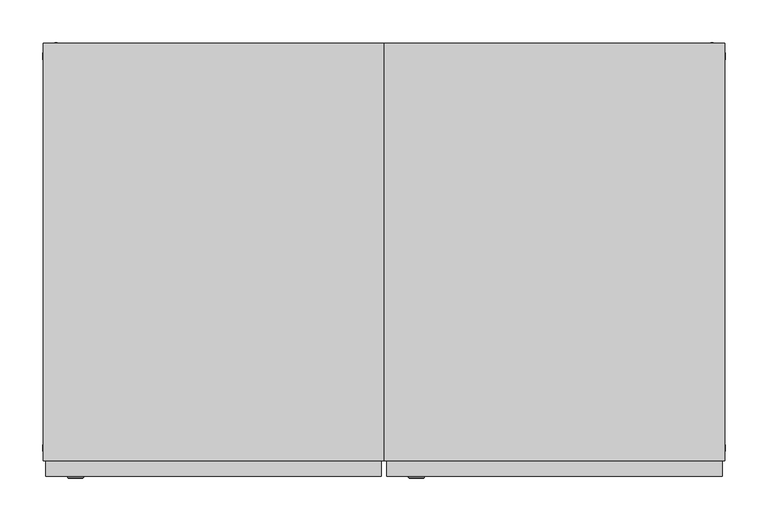
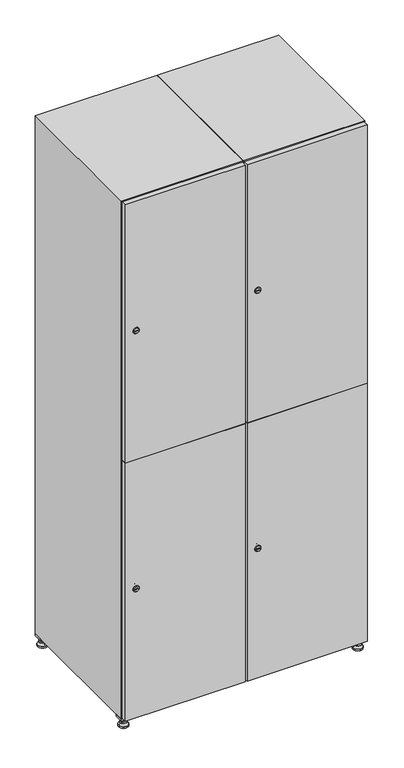
"""IFC4 building model written with IfcOpenShell, lengths in millimetres: furniture geometry."""

from ifc_helpers import new_model, si_unit, point, frame, frame_2d, origin, origin_with_axes, place, context, project, spatial, polyline, circle_curve, trimmed, segment, composite_curve, outline, extrude, faceted_brep, source, transform, mapped, element, save
from ifc_brep_helpers import plane_surface, revolved_surface, advanced_brep


def furniture_261f6d93(model_context):
    return source(origin(), model_context, "Body", "SolidModel", [
        extrude(outline(polyline([(600.0, 245.0), (600.0, 215.0), (570.0, 215.0), (570.0, 245.0), (600.0, 245.0)]), holes=[polyline([(598.0, 243.0), (572.0, 243.0), (572.0, 217.0), (598.0, 217.0), (598.0, 243.0)])]), frame((0.0, 0.0, 28.5), z_axis=(0.0, 0.0, 1.0), x_axis=(1.0, 0.0, 0.0)), (0.0, 0.0, 1.0), 6.5),
        extrude(outline(polyline([(570.0, -245.0), (570.0, -215.0), (600.0, -215.0), (600.0, -245.0), (570.0, -245.0)]), holes=[polyline([(572.0, -243.0), (598.0, -243.0), (598.0, -217.0), (572.0, -217.0), (572.0, -243.0)])]), frame((0.0, 0.0, 28.5), z_axis=(0.0, 0.0, 1.0), x_axis=(1.0, 0.0, 0.0)), (0.0, 0.0, 1.0), 6.5),
        extrude(outline(polyline([(-170.0, 245.0), (-170.0, 215.0), (-200.0, 215.0), (-200.0, 245.0), (-170.0, 245.0)]), holes=[polyline([(-172.0, 243.0), (-198.0, 243.0), (-198.0, 217.0), (-172.0, 217.0), (-172.0, 243.0)])]), frame((0.0, 0.0, 28.5), z_axis=(0.0, 0.0, 1.0), x_axis=(1.0, 0.0, 0.0)), (0.0, 0.0, 1.0), 6.5),
        extrude(outline(polyline([(-170.0, -215.0), (-170.0, -245.0), (-200.0, -245.0), (-200.0, -215.0), (-170.0, -215.0)]), holes=[polyline([(-198.0, -243.0), (-172.0, -243.0), (-172.0, -217.0), (-198.0, -217.0), (-198.0, -243.0)])]), frame((0.0, 0.0, 28.5), z_axis=(0.0, 0.0, 1.0), x_axis=(1.0, 0.0, 0.0)), (0.0, 0.0, 1.0), 6.5),
        extrude(outline(composite_curve([segment(trimmed(circle_curve(frame_2d((-185.0, 230.0)), 5.0), [point((-180.0, 230.0))], [point((-190.0, 230.0))], False, "CARTESIAN"), True, "CONTINUOUS"), segment(trimmed(circle_curve(frame_2d((-185.0, 230.0)), 5.0), [point((-190.0, 230.0))], [point((-180.0, 230.0))], False, "CARTESIAN"), True, "CONTINUOUS")], self_intersect=False)), frame((0.0, 0.0, 19.6), z_axis=(0.0, 0.0, 1.0), x_axis=(1.0, 0.0, 0.0)), (0.0, 0.0, 1.0), 15.4),
        extrude(outline(composite_curve([segment(trimmed(circle_curve(frame_2d((-185.0, -230.0)), 5.0), [point((-180.0, -230.0))], [point((-190.0, -230.0))], False, "CARTESIAN"), True, "CONTINUOUS"), segment(trimmed(circle_curve(frame_2d((-185.0, -230.0)), 5.0), [point((-190.0, -230.0))], [point((-180.0, -230.0))], False, "CARTESIAN"), True, "CONTINUOUS")], self_intersect=False)), frame((0.0, 0.0, 19.6), z_axis=(0.0, 0.0, 1.0), x_axis=(1.0, 0.0, 0.0)), (0.0, 0.0, 1.0), 15.4),
        extrude(outline(composite_curve([segment(trimmed(circle_curve(frame_2d((585.0, 230.0)), 5.0), [point((590.0, 230.0))], [point((580.0, 230.0))], False, "CARTESIAN"), True, "CONTINUOUS"), segment(trimmed(circle_curve(frame_2d((585.0, 230.0)), 5.0), [point((580.0, 230.0))], [point((590.0, 230.0))], False, "CARTESIAN"), True, "CONTINUOUS")], self_intersect=False)), frame((0.0, 0.0, 19.6), z_axis=(0.0, 0.0, 1.0), x_axis=(1.0, 0.0, 0.0)), (0.0, 0.0, 1.0), 15.4),
        extrude(outline(polyline([(573.4529946, 230.0), (579.2264973, 240.0), (590.7735027, 240.0), (596.5470054, 230.0), (590.7735027, 220.0), (579.2264973, 220.0), (573.4529946, 230.0)])), frame((0.0, 0.0, 13.6), z_axis=(0.0, 0.0, 1.0), x_axis=(1.0, 0.0, 0.0)), (0.0, 0.0, 1.0), 6.0),
        extrude(outline(composite_curve([segment(trimmed(circle_curve(frame_2d((585.0, -230.0)), 5.0), [point((590.0, -230.0))], [point((580.0, -230.0))], False, "CARTESIAN"), True, "CONTINUOUS"), segment(trimmed(circle_curve(frame_2d((585.0, -230.0)), 5.0), [point((580.0, -230.0))], [point((590.0, -230.0))], False, "CARTESIAN"), True, "CONTINUOUS")], self_intersect=False)), frame((0.0, 0.0, 19.6), z_axis=(0.0, 0.0, 1.0), x_axis=(1.0, 0.0, 0.0)), (0.0, 0.0, 1.0), 15.4),
        extrude(outline(polyline([(573.4529946, -230.0), (579.2264973, -220.0), (590.7735027, -220.0), (596.5470054, -230.0), (590.7735027, -240.0), (579.2264973, -240.0), (573.4529946, -230.0)])), frame((0.0, 0.0, 13.6), z_axis=(0.0, 0.0, 1.0), x_axis=(1.0, 0.0, 0.0)), (0.0, 0.0, 1.0), 6.0),
        extrude(outline(composite_curve([segment(trimmed(circle_curve(frame_2d((585.0, 230.0)), 5.0), [point((590.0, 230.0))], [point((580.0, 230.0))], False, "CARTESIAN"), True, "CONTINUOUS"), segment(trimmed(circle_curve(frame_2d((585.0, 230.0)), 5.0), [point((580.0, 230.0))], [point((590.0, 230.0))], False, "CARTESIAN"), True, "CONTINUOUS")], self_intersect=False)), frame((0.0, 0.0, 12.1), z_axis=(0.0, 0.0, 1.0), x_axis=(1.0, 0.0, 0.0)), (0.0, 0.0, 1.0), 1.5),
        extrude(outline(composite_curve([segment(trimmed(circle_curve(frame_2d((585.0, -230.0)), 5.0), [point((590.0, -230.0))], [point((580.0, -230.0))], False, "CARTESIAN"), True, "CONTINUOUS"), segment(trimmed(circle_curve(frame_2d((585.0, -230.0)), 5.0), [point((580.0, -230.0))], [point((590.0, -230.0))], False, "CARTESIAN"), True, "CONTINUOUS")], self_intersect=False)), frame((0.0, 0.0, 12.1), z_axis=(0.0, 0.0, 1.0), x_axis=(1.0, 0.0, 0.0)), (0.0, 0.0, 1.0), 1.5),
        extrude(outline(polyline([(-196.5470054, 230.0), (-190.7735027, 240.0), (-179.2264973, 240.0), (-173.4529946, 230.0), (-179.2264973, 220.0), (-190.7735027, 220.0), (-196.5470054, 230.0)])), frame((0.0, 0.0, 13.6), z_axis=(0.0, 0.0, 1.0), x_axis=(1.0, 0.0, 0.0)), (0.0, 0.0, 1.0), 6.0),
        extrude(outline(polyline([(-196.5470054, -230.0), (-190.7735027, -220.0), (-179.2264973, -220.0), (-173.4529946, -230.0), (-179.2264973, -240.0), (-190.7735027, -240.0), (-196.5470054, -230.0)])), frame((0.0, 0.0, 13.6), z_axis=(0.0, 0.0, 1.0), x_axis=(1.0, 0.0, 0.0)), (0.0, 0.0, 1.0), 6.0),
        extrude(outline(composite_curve([segment(trimmed(circle_curve(frame_2d((-185.0, 230.0)), 5.0), [point((-185.0, 235.0))], [point((-185.0, 225.0))], False, "CARTESIAN"), True, "CONTINUOUS"), segment(trimmed(circle_curve(frame_2d((-185.0, 230.0)), 5.0), [point((-185.0, 225.0))], [point((-185.0, 235.0))], False, "CARTESIAN"), True, "CONTINUOUS")], self_intersect=False)), frame((0.0, 0.0, 12.1), z_axis=(0.0, 0.0, 1.0), x_axis=(1.0, 0.0, 0.0)), (0.0, 0.0, 1.0), 1.5),
        extrude(outline(composite_curve([segment(trimmed(circle_curve(frame_2d((-185.0, -230.0)), 5.0), [point((-180.0, -230.0))], [point((-190.0, -230.0))], False, "CARTESIAN"), True, "CONTINUOUS"), segment(trimmed(circle_curve(frame_2d((-185.0, -230.0)), 5.0), [point((-190.0, -230.0))], [point((-180.0, -230.0))], False, "CARTESIAN"), True, "CONTINUOUS")], self_intersect=False)), frame((0.0, 0.0, 12.1), z_axis=(0.0, 0.0, 1.0), x_axis=(1.0, 0.0, 0.0)), (0.0, 0.0, 1.0), 1.5),
        extrude(outline(composite_curve([segment(trimmed(circle_curve(frame_2d((585.0, 230.0)), 15.75), [point((600.75, 230.0))], [point((569.25, 230.0))], False, "CARTESIAN"), True, "CONTINUOUS"), segment(trimmed(circle_curve(frame_2d((585.0, 230.0)), 15.75), [point((569.25, 230.0))], [point((600.75, 230.0))], False, "CARTESIAN"), True, "CONTINUOUS")], self_intersect=False)), origin_with_axes(), (0.0, 0.0, 1.0), 5.1),
        extrude(outline(composite_curve([segment(trimmed(circle_curve(frame_2d((585.0, -230.0)), 15.75), [point((585.0, -214.25))], [point((585.0, -245.75))], False, "CARTESIAN"), True, "CONTINUOUS"), segment(trimmed(circle_curve(frame_2d((585.0, -230.0)), 15.75), [point((585.0, -245.75))], [point((585.0, -214.25))], False, "CARTESIAN"), True, "CONTINUOUS")], self_intersect=False)), origin_with_axes(), (0.0, 0.0, 1.0), 5.1),
        extrude(outline(composite_curve([segment(trimmed(circle_curve(frame_2d((-185.0, -230.0)), 15.75), [point((-169.25, -230.0))], [point((-200.75, -230.0))], False, "CARTESIAN"), True, "CONTINUOUS"), segment(trimmed(circle_curve(frame_2d((-185.0, -230.0)), 15.75), [point((-200.75, -230.0))], [point((-169.25, -230.0))], False, "CARTESIAN"), True, "CONTINUOUS")], self_intersect=False)), origin_with_axes(), (0.0, 0.0, 1.0), 5.1),
        extrude(outline(composite_curve([segment(trimmed(circle_curve(frame_2d((-185.0, 230.0)), 15.75), [point((-169.25, 230.0))], [point((-200.75, 230.0))], False, "CARTESIAN"), True, "CONTINUOUS"), segment(trimmed(circle_curve(frame_2d((-185.0, 230.0)), 15.75), [point((-200.75, 230.0))], [point((-169.25, 230.0))], False, "CARTESIAN"), True, "CONTINUOUS")], self_intersect=False)), origin_with_axes(), (0.0, 0.0, 1.0), 5.1),
        advanced_brep(
        [(-185.0, 239.5, 12.1), (-185.0, 220.5, 12.1), (-185.0, 214.25, 5.1), (-185.0, 245.75, 5.1)],
        [
            (0, 1, circle_curve(frame((-185.0, 230.0, 12.1), z_axis=(0.0, 0.0, -1.0), x_axis=(0.0, 1.0, 0.0)), 9.5)),
            (1, 2),
            (2, 3, circle_curve(frame((-185.0, 230.0, 5.1), z_axis=(0.0, 0.0, 1.0), x_axis=(0.0, 1.0, 0.0)), 15.75)),
            (3, 0),
            (1, 0, circle_curve(frame((-185.0, 230.0, 12.1), z_axis=(0.0, 0.0, -1.0), x_axis=(0.0, -1.0, 0.0)), 9.5)),
            (3, 2, circle_curve(frame((-185.0, 230.0, 5.1), z_axis=(0.0, 0.0, 1.0), x_axis=(0.0, -1.0, 0.0)), 15.75)),
        ],
        [
            revolved_surface(polyline([(-185.0, 220.5, 12.099999999999998), (-185.0, 214.25, 5.099999999999998)]), (-185.0, 230.0, 22.74), (0.0, 0.0, -1.0)),
            revolved_surface(polyline([(-185.0, 239.5, 12.099999999999998), (-185.0, 245.75, 5.099999999999998)]), (-185.0, 230.0, 22.74), (0.0, 0.0, -1.0)),
            plane_surface(frame((-185.0, 230.0, 5.1), z_axis=(0.0, 0.0, -1.0), x_axis=(1.0, 0.0, 0.0))),
            plane_surface(frame((-185.0, 230.0, 12.1), z_axis=(0.0, 0.0, 1.0), x_axis=(1.0, 0.0, 0.0))),
        ],
        [
            (0, [[1, 2, 3, 4]]),
            (1, [[5, -4, 6, -2]]),
            (2, [[-3, -6]]),
            (3, [[-5, -1]]),
        ],
    ),
        advanced_brep(
        [(585.0, 239.5, 12.1), (585.0, 220.5, 12.1), (585.0, 214.25, 5.1), (585.0, 245.75, 5.1)],
        [
            (0, 1, circle_curve(frame((585.0, 230.0, 12.1), z_axis=(0.0, 0.0, -1.0), x_axis=(0.0, 1.0, 0.0)), 9.5)),
            (1, 2),
            (2, 3, circle_curve(frame((585.0, 230.0, 5.1), z_axis=(0.0, 0.0, 1.0), x_axis=(0.0, 1.0, 0.0)), 15.75)),
            (3, 0),
            (1, 0, circle_curve(frame((585.0, 230.0, 12.1), z_axis=(0.0, 0.0, -1.0), x_axis=(0.0, -1.0, 0.0)), 9.5)),
            (3, 2, circle_curve(frame((585.0, 230.0, 5.1), z_axis=(0.0, 0.0, 1.0), x_axis=(0.0, -1.0, 0.0)), 15.75)),
        ],
        [
            revolved_surface(polyline([(585.0, 220.5, 12.099999999999998), (585.0, 214.25, 5.099999999999998)]), (585.0, 230.0, 22.74), (0.0, 0.0, -1.0)),
            revolved_surface(polyline([(585.0, 239.5, 12.099999999999998), (585.0, 245.75, 5.099999999999998)]), (585.0, 230.0, 22.74), (0.0, 0.0, -1.0)),
            plane_surface(frame((585.0, 230.0, 5.1), z_axis=(0.0, 0.0, -1.0), x_axis=(1.0, 0.0, 0.0))),
            plane_surface(frame((585.0, 230.0, 12.1), z_axis=(0.0, 0.0, 1.0), x_axis=(1.0, 0.0, 0.0))),
        ],
        [
            (0, [[1, 2, 3, 4]]),
            (1, [[5, -4, 6, -2]]),
            (2, [[-3, -6]]),
            (3, [[-5, -1]]),
        ],
    ),
        advanced_brep(
        [(600.75, -230.0, 5.1), (569.25, -230.0, 5.1), (575.5, -230.0, 12.1), (594.5, -230.0, 12.1)],
        [
            (0, 1, circle_curve(frame((585.0, -230.0, 5.1), z_axis=(0.0, 0.0, 1.0), x_axis=(1.0, 0.0, 0.0)), 15.75)),
            (1, 2),
            (2, 3, circle_curve(frame((585.0, -230.0, 12.1), z_axis=(0.0, 0.0, -1.0), x_axis=(1.0, 0.0, 0.0)), 9.5)),
            (3, 0),
            (1, 0, circle_curve(frame((585.0, -230.0, 5.1), z_axis=(0.0, 0.0, 1.0), x_axis=(-1.0, 0.0, 0.0)), 15.75)),
            (3, 2, circle_curve(frame((585.0, -230.0, 12.1), z_axis=(0.0, 0.0, -1.0), x_axis=(-1.0, 0.0, 0.0)), 9.5)),
        ],
        [
            revolved_surface(polyline([(594.5, -230.0, 12.099999999999998), (600.75, -230.0, 5.099999999999998)]), (585.0, -230.0, 22.74), (0.0, 0.0, -1.0)),
            revolved_surface(polyline([(575.5, -230.0, 12.099999999999998), (569.25, -230.0, 5.099999999999998)]), (585.0, -230.0, 22.74), (0.0, 0.0, -1.0)),
            plane_surface(frame((585.0, -230.0, 12.1), z_axis=(0.0, 0.0, 1.0), x_axis=(0.0, 1.0, 0.0))),
            plane_surface(frame((585.0, -230.0, 5.1), z_axis=(0.0, 0.0, -1.0), x_axis=(0.0, 1.0, 0.0))),
        ],
        [
            (0, [[1, 2, 3, 4]]),
            (1, [[5, -4, 6, -2]]),
            (2, [[-3, -6]]),
            (3, [[-5, -1]]),
        ],
    ),
        advanced_brep(
        [(-169.25, -230.0, 5.1), (-200.75, -230.0, 5.1), (-194.5, -230.0, 12.1), (-175.5, -230.0, 12.1)],
        [
            (0, 1, circle_curve(frame((-185.0, -230.0, 5.1), z_axis=(0.0, 0.0, 1.0), x_axis=(1.0, 0.0, 0.0)), 15.75)),
            (1, 2),
            (2, 3, circle_curve(frame((-185.0, -230.0, 12.1), z_axis=(0.0, 0.0, -1.0), x_axis=(1.0, 0.0, 0.0)), 9.5)),
            (3, 0),
            (1, 0, circle_curve(frame((-185.0, -230.0, 5.1), z_axis=(0.0, 0.0, 1.0), x_axis=(-1.0, 0.0, 0.0)), 15.75)),
            (3, 2, circle_curve(frame((-185.0, -230.0, 12.1), z_axis=(0.0, 0.0, -1.0), x_axis=(-1.0, 0.0, 0.0)), 9.5)),
        ],
        [
            revolved_surface(polyline([(-175.5, -230.0, 12.099999999999998), (-169.25, -230.0, 5.099999999999998)]), (-185.0, -230.0, 22.74), (0.0, 0.0, -1.0)),
            revolved_surface(polyline([(-194.5, -230.0, 12.099999999999998), (-200.75, -230.0, 5.099999999999998)]), (-185.0, -230.0, 22.74), (0.0, 0.0, -1.0)),
            plane_surface(frame((-185.0, -230.0, 12.1), z_axis=(0.0, 0.0, 1.0), x_axis=(0.0, 1.0, 0.0))),
            plane_surface(frame((-185.0, -230.0, 5.1), z_axis=(0.0, 0.0, -1.0), x_axis=(0.0, 1.0, 0.0))),
        ],
        [
            (0, [[1, 2, 3, 4]]),
            (1, [[5, -4, 6, -2]]),
            (2, [[-3, -6]]),
            (3, [[-5, -1]]),
        ],
    ),
        extrude(outline(composite_curve([segment(trimmed(circle_curve(frame_2d((486.5, 211.2010534)), 7.0), [point((493.5, 211.2010534))], [point((479.5, 211.2010534))], False, "CARTESIAN"), True, "CONTINUOUS"), segment(polyline([(479.5, 211.2010534), (479.5, 239.2010534)]), True, "CONTINUOUS"), segment(trimmed(circle_curve(frame_2d((486.5, 239.2010534)), 7.0), [point((479.5, 239.2010534))], [point((493.5, 239.2010534))], False, "CARTESIAN"), True, "CONTINUOUS"), segment(polyline([(493.5, 239.2010534), (493.5, 211.2010534)]), True, "CONTINUOUS")], self_intersect=False)), frame((0.0, -245.0, 0.0), z_axis=(0.0, 1.0, 0.0), x_axis=(0.0, 0.0, 1.0)), (0.0, 0.0, 1.0), 2.0),
        advanced_brep(
        [(246.5, -265.2, 486.5), (229.5, -265.2, 486.5), (233.0, -265.2, 485.25), (233.0, -265.2, 487.75), (243.0, -265.2, 487.75), (243.0, -265.2, 485.25), (248.5, -263.0, 486.5), (227.5, -263.0, 486.5), (233.0, -263.0, 487.75), (233.0, -263.0, 485.25), (243.0, -263.0, 485.25), (243.0, -263.0, 487.75)],
        [
            (0, 1, circle_curve(frame((238.0, -265.2, 486.5), z_axis=(0.0, -1.0, 0.0), x_axis=(1.0, 0.0, 0.0)), 8.5)),
            (1, 0, circle_curve(frame((238.0, -265.2, 486.5), z_axis=(0.0, -1.0, 0.0), x_axis=(-1.0, 0.0, 0.0)), 8.5)),
            (2, 3),
            (3, 4),
            (4, 5),
            (5, 2),
            (6, 7, circle_curve(frame((238.0, -263.0, 486.5), z_axis=(0.0, 1.0, 0.0), x_axis=(-1.0, 0.0, 0.0)), 10.5)),
            (7, 6, circle_curve(frame((238.0, -263.0, 486.5), z_axis=(0.0, 1.0, 0.0), x_axis=(1.0, 0.0, 0.0)), 10.5)),
            (8, 9),
            (9, 10),
            (10, 11),
            (11, 8),
            (0, 6),
            (7, 1),
            (8, 3),
            (2, 9),
            (11, 4),
            (10, 5),
        ],
        [
            plane_surface(frame((238.0, -265.2, 486.5), z_axis=(0.0, -1.0, 0.0), x_axis=(0.0, 0.0, 1.0))),
            plane_surface(frame((238.0, -263.0, 486.5), z_axis=(0.0, 1.0, 0.0), x_axis=(0.0, 0.0, 1.0))),
            revolved_surface(polyline([(246.5, -265.2, 486.5), (248.5, -263.0, 486.5)]), (238.0, -274.55, 486.5), (0.0, 1.0, 0.0)),
            revolved_surface(polyline([(229.5, -265.2, 486.5), (227.5, -263.0, 486.5)]), (238.0, -274.55, 486.5), (0.0, 1.0, 0.0)),
            plane_surface(frame((233.0, -263.0, 485.25), z_axis=(1.0, 0.0, 0.0), x_axis=(0.0, -1.0, 0.0))),
            plane_surface(frame((233.0, -263.0, 487.75), z_axis=(0.0, 0.0, -1.0), x_axis=(0.0, -1.0, 0.0))),
            plane_surface(frame((243.0, -263.0, 487.75), z_axis=(-1.0, 0.0, 0.0), x_axis=(0.0, -1.0, 0.0))),
            plane_surface(frame((243.0, -263.0, 485.25), z_axis=(0.0, 0.0, 1.0), x_axis=(0.0, -1.0, 0.0))),
        ],
        [
            (0, [[1, 2], [3, 4, 5, 6]]),
            (1, [[7, 8], [9, 10, 11, 12]]),
            (2, [[-1, 13, -8, 14]]),
            (3, [[-2, -14, -7, -13]]),
            (4, [[15, -3, 16, -9]]),
            (5, [[-15, -12, 17, -4]]),
            (6, [[-17, -11, 18, -5]]),
            (7, [[-16, -6, -18, -10]]),
        ],
    ),
        extrude(outline(composite_curve([segment(trimmed(circle_curve(frame_2d((1383.5, 211.2010534)), 7.0), [point((1390.5, 211.2010534))], [point((1376.5, 211.2010534))], False, "CARTESIAN"), True, "CONTINUOUS"), segment(polyline([(1376.5, 211.2010534), (1376.5, 239.2010534)]), True, "CONTINUOUS"), segment(trimmed(circle_curve(frame_2d((1383.5, 239.2010534)), 7.0), [point((1376.5, 239.2010534))], [point((1390.5, 239.2010534))], False, "CARTESIAN"), True, "CONTINUOUS"), segment(polyline([(1390.5, 239.2010534), (1390.5, 211.2010534)]), True, "CONTINUOUS")], self_intersect=False)), frame((0.0, -245.0, 0.0), z_axis=(0.0, 1.0, 0.0), x_axis=(0.0, 0.0, 1.0)), (0.0, 0.0, 1.0), 2.0),
        advanced_brep(
        [(246.5, -265.2, 1383.5), (229.5, -265.2, 1383.5), (233.0, -265.2, 1382.25), (233.0, -265.2, 1384.75), (243.0, -265.2, 1384.75), (243.0, -265.2, 1382.25), (248.5, -263.0, 1383.5), (227.5, -263.0, 1383.5), (233.0, -263.0, 1384.75), (233.0, -263.0, 1382.25), (243.0, -263.0, 1382.25), (243.0, -263.0, 1384.75)],
        [
            (0, 1, circle_curve(frame((238.0, -265.2, 1383.5), z_axis=(0.0, -1.0, 0.0), x_axis=(1.0, 0.0, 0.0)), 8.5)),
            (1, 0, circle_curve(frame((238.0, -265.2, 1383.5), z_axis=(0.0, -1.0, 0.0), x_axis=(-1.0, 0.0, 0.0)), 8.5)),
            (2, 3),
            (3, 4),
            (4, 5),
            (5, 2),
            (6, 7, circle_curve(frame((238.0, -263.0, 1383.5), z_axis=(0.0, 1.0, 0.0), x_axis=(-1.0, 0.0, 0.0)), 10.5)),
            (7, 6, circle_curve(frame((238.0, -263.0, 1383.5), z_axis=(0.0, 1.0, 0.0), x_axis=(1.0, 0.0, 0.0)), 10.5)),
            (8, 9),
            (9, 10),
            (10, 11),
            (11, 8),
            (0, 6),
            (7, 1),
            (8, 3),
            (2, 9),
            (11, 4),
            (10, 5),
        ],
        [
            plane_surface(frame((238.0, -265.2, 1383.5), z_axis=(0.0, -1.0, 0.0), x_axis=(0.0, 0.0, 1.0))),
            plane_surface(frame((238.0, -263.0, 1383.5), z_axis=(0.0, 1.0, 0.0), x_axis=(0.0, 0.0, 1.0))),
            revolved_surface(polyline([(246.5, -265.2, 1383.5), (248.5, -263.0, 1383.5)]), (238.0, -274.55, 1383.5), (0.0, 1.0, 0.0)),
            revolved_surface(polyline([(229.5, -265.2, 1383.5), (227.5, -263.0, 1383.5)]), (238.0, -274.55, 1383.5), (0.0, 1.0, 0.0)),
            plane_surface(frame((233.0, -263.0, 1382.25), z_axis=(1.0, 0.0, 0.0), x_axis=(0.0, -1.0, 0.0))),
            plane_surface(frame((233.0, -263.0, 1384.75), z_axis=(0.0, 0.0, -1.0), x_axis=(0.0, -1.0, 0.0))),
            plane_surface(frame((243.0, -263.0, 1384.75), z_axis=(-1.0, 0.0, 0.0), x_axis=(0.0, -1.0, 0.0))),
            plane_surface(frame((243.0, -263.0, 1382.25), z_axis=(0.0, 0.0, 1.0), x_axis=(0.0, -1.0, 0.0))),
        ],
        [
            (0, [[1, 2], [3, 4, 5, 6]]),
            (1, [[7, 8], [9, 10, 11, 12]]),
            (2, [[-1, 13, -8, 14]]),
            (3, [[-2, -14, -7, -13]]),
            (4, [[15, -3, 16, -9]]),
            (5, [[-15, -12, 17, -4]]),
            (6, [[-17, -11, 18, -5]]),
            (7, [[-16, -6, -18, -10]]),
        ],
    ),
        extrude(outline(polyline([(203.0, -263.0), (203.0, -245.0), (597.0, -245.0), (597.0, -263.0), (203.0, -263.0)])), frame((0.0, 0.0, 38.0), z_axis=(0.0, 0.0, 1.0), x_axis=(1.0, 0.0, 0.0)), (0.0, 0.0, 1.0), 896.5),
        extrude(outline(polyline([(597.0, -245.0), (597.0, -263.0), (203.0, -263.0), (203.0, -245.0), (597.0, -245.0)])), frame((0.0, 0.0, 935.5), z_axis=(0.0, 0.0, 1.0), x_axis=(1.0, 0.0, 0.0)), (0.0, 0.0, 1.0), 896.5),
        extrude(outline(polyline([(579.6, 242.0), (579.6, -227.0), (220.4, -227.0), (220.4, 242.0), (579.6, 242.0)])), frame((0.0, 0.0, 924.8), z_axis=(0.0, 0.0, 1.0), x_axis=(1.0, 0.0, 0.0)), (0.0, 0.0, 1.0), 20.4),
        faceted_brep([(600.0, -245.0, 35.0), (600.0, -245.0, 1835.0), (200.0, -245.0, 1835.0), (200.0, -245.0, 35.0), (579.6, -245.0, 1804.8), (579.6, -245.0, 65.2), (220.4, -245.0, 65.2), (220.4, -245.0, 1804.8), (600.0, 245.0, 35.0), (200.0, 245.0, 35.0), (600.0, 245.0, 1835.0), (200.0, 245.0, 1835.0), (579.6, 242.0, 1804.8), (579.6, 242.0, 65.2), (200.0, 245.0, 1804.8), (220.4, 242.0, 1804.8), (220.4, 242.0, 65.2)], [[[0, 1, 2, 3], [4, 5, 6, 7]], [[8, 0, 3, 9]], [[1, 0, 8, 10]], [[1, 10, 11, 2]], [[4, 12, 13, 5]], [[9, 3, 2, 11, 14]], [[10, 8, 9, 14, 11]], [[12, 15, 16, 13]], [[15, 7, 6, 16]], [[4, 7, 15, 12]], [[6, 5, 13, 16]]]),
        extrude(outline(composite_curve([segment(trimmed(circle_curve(frame_2d((486.5, -188.7989466)), 7.0), [point((493.5, -188.7989466))], [point((479.5, -188.7989466))], False, "CARTESIAN"), True, "CONTINUOUS"), segment(polyline([(479.5, -188.7989466), (479.5, -160.7989466)]), True, "CONTINUOUS"), segment(trimmed(circle_curve(frame_2d((486.5, -160.7989466)), 7.0), [point((479.5, -160.7989466))], [point((493.5, -160.7989466))], False, "CARTESIAN"), True, "CONTINUOUS"), segment(polyline([(493.5, -160.7989466), (493.5, -188.7989466)]), True, "CONTINUOUS")], self_intersect=False)), frame((0.0, -245.0, 0.0), z_axis=(0.0, 1.0, 0.0), x_axis=(0.0, 0.0, 1.0)), (0.0, 0.0, 1.0), 2.0),
        advanced_brep(
        [(-153.5, -265.2, 486.5), (-170.5, -265.2, 486.5), (-167.0, -265.2, 485.25), (-167.0, -265.2, 487.75), (-157.0, -265.2, 487.75), (-157.0, -265.2, 485.25), (-151.5, -263.0, 486.5), (-172.5, -263.0, 486.5), (-167.0, -263.0, 487.75), (-167.0, -263.0, 485.25), (-157.0, -263.0, 485.25), (-157.0, -263.0, 487.75)],
        [
            (0, 1, circle_curve(frame((-162.0, -265.2, 486.5), z_axis=(0.0, -1.0, 0.0), x_axis=(1.0, 0.0, 0.0)), 8.5)),
            (1, 0, circle_curve(frame((-162.0, -265.2, 486.5), z_axis=(0.0, -1.0, 0.0), x_axis=(-1.0, 0.0, 0.0)), 8.5)),
            (2, 3),
            (3, 4),
            (4, 5),
            (5, 2),
            (6, 7, circle_curve(frame((-162.0, -263.0, 486.5), z_axis=(0.0, 1.0, 0.0), x_axis=(-1.0, 0.0, 0.0)), 10.5)),
            (7, 6, circle_curve(frame((-162.0, -263.0, 486.5), z_axis=(0.0, 1.0, 0.0), x_axis=(1.0, 0.0, 0.0)), 10.5)),
            (8, 9),
            (9, 10),
            (10, 11),
            (11, 8),
            (0, 6),
            (7, 1),
            (8, 3),
            (2, 9),
            (11, 4),
            (10, 5),
        ],
        [
            plane_surface(frame((-162.0, -265.2, 486.5), z_axis=(0.0, -1.0, 0.0), x_axis=(0.0, 0.0, 1.0))),
            plane_surface(frame((-162.0, -263.0, 486.5), z_axis=(0.0, 1.0, 0.0), x_axis=(0.0, 0.0, 1.0))),
            revolved_surface(polyline([(-153.5, -265.2, 486.5), (-151.5, -263.0, 486.5)]), (-162.0, -274.55, 486.5), (0.0, 1.0, 0.0)),
            revolved_surface(polyline([(-170.5, -265.2, 486.5), (-172.5, -263.0, 486.5)]), (-162.0, -274.55, 486.5), (0.0, 1.0, 0.0)),
            plane_surface(frame((-167.0, -263.0, 485.25), z_axis=(1.0, 0.0, 0.0), x_axis=(0.0, -1.0, 0.0))),
            plane_surface(frame((-167.0, -263.0, 487.75), z_axis=(0.0, 0.0, -1.0), x_axis=(0.0, -1.0, 0.0))),
            plane_surface(frame((-157.0, -263.0, 487.75), z_axis=(-1.0, 0.0, 0.0), x_axis=(0.0, -1.0, 0.0))),
            plane_surface(frame((-157.0, -263.0, 485.25), z_axis=(0.0, 0.0, 1.0), x_axis=(0.0, -1.0, 0.0))),
        ],
        [
            (0, [[1, 2], [3, 4, 5, 6]]),
            (1, [[7, 8], [9, 10, 11, 12]]),
            (2, [[-1, 13, -8, 14]]),
            (3, [[-2, -14, -7, -13]]),
            (4, [[15, -3, 16, -9]]),
            (5, [[-15, -12, 17, -4]]),
            (6, [[-17, -11, 18, -5]]),
            (7, [[-16, -6, -18, -10]]),
        ],
    ),
        extrude(outline(composite_curve([segment(trimmed(circle_curve(frame_2d((1383.5, -188.7989466)), 7.0), [point((1390.5, -188.7989466))], [point((1376.5, -188.7989466))], False, "CARTESIAN"), True, "CONTINUOUS"), segment(polyline([(1376.5, -188.7989466), (1376.5, -160.7989466)]), True, "CONTINUOUS"), segment(trimmed(circle_curve(frame_2d((1383.5, -160.7989466)), 7.0), [point((1376.5, -160.7989466))], [point((1390.5, -160.7989466))], False, "CARTESIAN"), True, "CONTINUOUS"), segment(polyline([(1390.5, -160.7989466), (1390.5, -188.7989466)]), True, "CONTINUOUS")], self_intersect=False)), frame((0.0, -245.0, 0.0), z_axis=(0.0, 1.0, 0.0), x_axis=(0.0, 0.0, 1.0)), (0.0, 0.0, 1.0), 2.0),
        advanced_brep(
        [(-153.5, -265.2, 1383.5), (-170.5, -265.2, 1383.5), (-167.0, -265.2, 1382.25), (-167.0, -265.2, 1384.75), (-157.0, -265.2, 1384.75), (-157.0, -265.2, 1382.25), (-151.5, -263.0, 1383.5), (-172.5, -263.0, 1383.5), (-167.0, -263.0, 1384.75), (-167.0, -263.0, 1382.25), (-157.0, -263.0, 1382.25), (-157.0, -263.0, 1384.75)],
        [
            (0, 1, circle_curve(frame((-162.0, -265.2, 1383.5), z_axis=(0.0, -1.0, 0.0), x_axis=(1.0, 0.0, 0.0)), 8.5)),
            (1, 0, circle_curve(frame((-162.0, -265.2, 1383.5), z_axis=(0.0, -1.0, 0.0), x_axis=(-1.0, 0.0, 0.0)), 8.5)),
            (2, 3),
            (3, 4),
            (4, 5),
            (5, 2),
            (6, 7, circle_curve(frame((-162.0, -263.0, 1383.5), z_axis=(0.0, 1.0, 0.0), x_axis=(-1.0, 0.0, 0.0)), 10.5)),
            (7, 6, circle_curve(frame((-162.0, -263.0, 1383.5), z_axis=(0.0, 1.0, 0.0), x_axis=(1.0, 0.0, 0.0)), 10.5)),
            (8, 9),
            (9, 10),
            (10, 11),
            (11, 8),
            (0, 6),
            (7, 1),
            (8, 3),
            (2, 9),
            (11, 4),
            (10, 5),
        ],
        [
            plane_surface(frame((-162.0, -265.2, 1383.5), z_axis=(0.0, -1.0, 0.0), x_axis=(0.0, 0.0, 1.0))),
            plane_surface(frame((-162.0, -263.0, 1383.5), z_axis=(0.0, 1.0, 0.0), x_axis=(0.0, 0.0, 1.0))),
            revolved_surface(polyline([(-153.5, -265.2, 1383.5), (-151.5, -263.0, 1383.5)]), (-162.0, -274.55, 1383.5), (0.0, 1.0, 0.0)),
            revolved_surface(polyline([(-170.5, -265.2, 1383.5), (-172.5, -263.0, 1383.5)]), (-162.0, -274.55, 1383.5), (0.0, 1.0, 0.0)),
            plane_surface(frame((-167.0, -263.0, 1382.25), z_axis=(1.0, 0.0, 0.0), x_axis=(0.0, -1.0, 0.0))),
            plane_surface(frame((-167.0, -263.0, 1384.75), z_axis=(0.0, 0.0, -1.0), x_axis=(0.0, -1.0, 0.0))),
            plane_surface(frame((-157.0, -263.0, 1384.75), z_axis=(-1.0, 0.0, 0.0), x_axis=(0.0, -1.0, 0.0))),
            plane_surface(frame((-157.0, -263.0, 1382.25), z_axis=(0.0, 0.0, 1.0), x_axis=(0.0, -1.0, 0.0))),
        ],
        [
            (0, [[1, 2], [3, 4, 5, 6]]),
            (1, [[7, 8], [9, 10, 11, 12]]),
            (2, [[-1, 13, -8, 14]]),
            (3, [[-2, -14, -7, -13]]),
            (4, [[15, -3, 16, -9]]),
            (5, [[-15, -12, 17, -4]]),
            (6, [[-17, -11, 18, -5]]),
            (7, [[-16, -6, -18, -10]]),
        ],
    ),
        extrude(outline(polyline([(-197.0, -263.0), (-197.0, -245.0), (197.0, -245.0), (197.0, -263.0), (-197.0, -263.0)])), frame((0.0, 0.0, 38.0), z_axis=(0.0, 0.0, 1.0), x_axis=(1.0, 0.0, 0.0)), (0.0, 0.0, 1.0), 896.5),
        extrude(outline(polyline([(197.0, -245.0), (197.0, -263.0), (-197.0, -263.0), (-197.0, -245.0), (197.0, -245.0)])), frame((0.0, 0.0, 935.5), z_axis=(0.0, 0.0, 1.0), x_axis=(1.0, 0.0, 0.0)), (0.0, 0.0, 1.0), 896.5),
        extrude(outline(polyline([(179.6, 242.0), (179.6, -227.0), (-179.6, -227.0), (-179.6, 242.0), (179.6, 242.0)])), frame((0.0, 0.0, 924.8), z_axis=(0.0, 0.0, 1.0), x_axis=(1.0, 0.0, 0.0)), (0.0, 0.0, 1.0), 20.4),
        faceted_brep([(200.0, -245.0, 35.0), (200.0, -245.0, 1835.0), (-200.0, -245.0, 1835.0), (-200.0, -245.0, 35.0), (179.6, -245.0, 1804.8), (179.6, -245.0, 65.2), (-179.6, -245.0, 65.2), (-179.6, -245.0, 1804.8), (200.0, 245.0, 35.0), (-200.0, 245.0, 35.0), (200.0, 245.0, 1835.0), (-200.0, 245.0, 1835.0), (179.6, 242.0, 1804.8), (179.6, 242.0, 65.2), (-200.0, 245.0, 1804.8), (-179.6, 242.0, 1804.8), (-179.6, 242.0, 65.2)], [[[0, 1, 2, 3], [4, 5, 6, 7]], [[8, 0, 3, 9]], [[1, 0, 8, 10]], [[1, 10, 11, 2]], [[4, 12, 13, 5]], [[9, 3, 2, 11, 14]], [[10, 8, 9, 14, 11]], [[12, 15, 16, 13]], [[15, 7, 6, 16]], [[4, 7, 15, 12]], [[6, 5, 13, 16]]]),
    ])


if __name__ == "__main__":
    model = new_model("IFC4")
    model_context = context("Model", 3, world=origin())
    ifc_project = project(units=[si_unit("LENGTHUNIT", "METRE", prefix="MILLI")], contexts=[model_context])
    site = spatial("IfcSite", under=ifc_project)
    building = spatial("IfcBuilding", under=site)
    placement = place(None, origin())
    furniture_shape = furniture_261f6d93(model_context)
    element("IfcFurniture", 1, at=placement, inside=building, context=model_context, shape_type="MappedRepresentation", body=[
        mapped(furniture_shape, transform((0.0, 0.0, 0.0), x_axis=(1.0, 0.0, 0.0), y_axis=(0.0, 1.0, 0.0), z_axis=(0.0, 0.0, 1.0))),
    ])
    save(model, "model.ifc")
